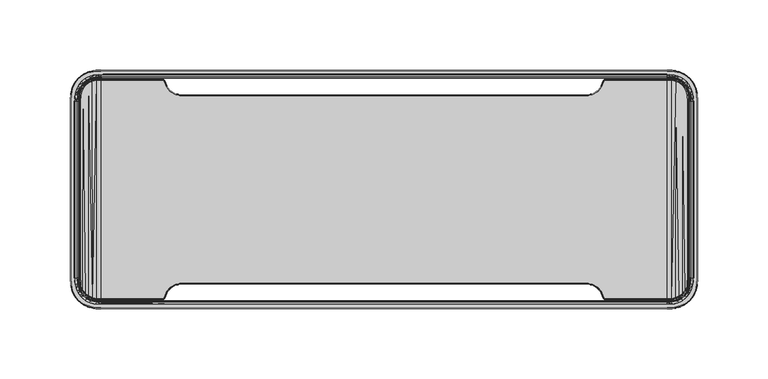
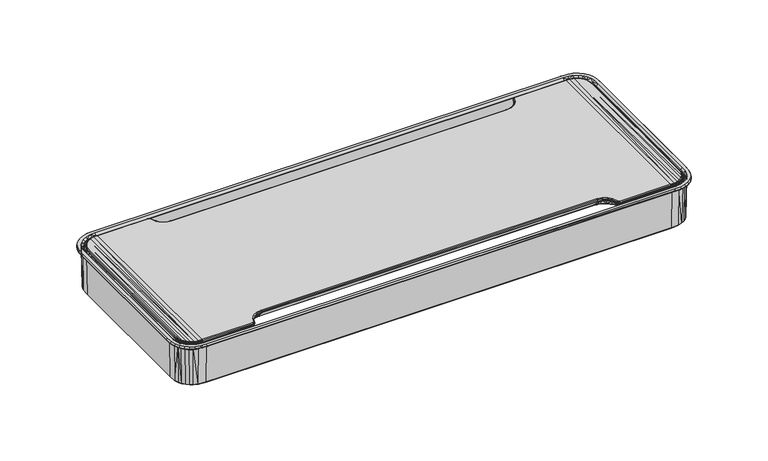
"""IFC4 building model written with IfcOpenShell, lengths in millimetres: furniture geometry."""

from ifc_helpers import new_model, si_unit, origin, place, context, project, spatial, triangles, source, transform, mapped, element, save


def furniture_4c557f40(model_context):
    return source(origin(), model_context, "Body", "Tessellation", [
        triangles([(-147.9062245, -67.9055435, 2.1630685), (-143.9999949, -67.2234722, 2.1630685), (-143.9999949, -66.7236389, 2.6499799), (-148.0756273, -67.4352961, 2.6499799), (-151.6689036, -69.4860294, 2.6499799), (-151.3501731, -69.871044, 2.1630685), (-153.9242347, -72.8873615, 2.1630685), (-154.3545864, -72.6331392, 2.6499799), (-155.8147988, -76.5041693, 2.6499799), (-155.3244763, -76.5987493, 2.1630727), (-155.982285, -77.7381874, 2.166964), (-156.3086277, -77.3597584, 2.6499799), (-157.2878921, -77.7236352, 2.6499799), (-157.2878921, -78.2234775, 2.1630686), (-200.8000072, -78.2234775, 2.1630685), (-200.8000072, -77.7236352, 2.6499799), (-203.8764728, -77.8274624, 2.6088933), (-204.5917634, -78.0537931, 2.1630659), (-207.4276731, -77.4173948, 2.1630687), (-206.9028142, -77.2676765, 2.6088933), (-209.7084387, -75.818905, 2.6499799), (-209.9662355, -76.2470992, 2.1630685), (-212.1885199, -74.5453181, 2.1630685), (-211.8422838, -74.1848205, 2.6499799), (-214.0404599, -71.7244965, 2.6088933), (-213.9778366, -72.3937098, 2.1630685), (-215.2442382, -69.9115621, 2.1630685), (-215.2675471, -68.903207, 2.6088933), (-215.5671473, -65.8538337, 2.6460052), (-216.0042209, -66.9513503, 2.1630649), (-216.2234662, -62.7999958, 2.1630685), (-215.7236421, -62.7999958, 2.6499799), (-215.7236421, 62.7999958, 2.6499799), (-216.2234662, 62.7999958, 2.1630685), (-216.0042209, 66.9513503, 2.1630649), (-215.5098651, 66.8777175, 2.6499799), (-214.7770247, 69.7339566, 2.6499799), (-215.2442382, 69.9115621, 2.1630685), (-213.9778366, 72.3937098, 2.1630685), (-213.5603657, 72.1188356, 2.6499799), (-211.8422838, 74.1848205, 2.6499799), (-212.1885199, 74.5453181, 2.1630685), (-209.9662355, 76.2470992, 2.1630685), (-209.7084387, 75.818905, 2.6499799), (-207.2684169, 76.9436229, 2.6499799), (-207.4276731, 77.4173948, 2.1630687), (-200.8000072, 77.7236352, 2.6499799), (-200.8000072, 78.2234775, 2.1630685), (-204.5917634, 78.0537931, 2.1630659), (-203.8754009, 77.8131828, 2.6148261), (-157.2878921, 78.2234775, 2.1630686), (-157.2878921, 77.7236352, 2.6499799), (-156.3723048, 77.3300001, 2.6458885), (-155.982285, 77.7381874, 2.166964), (-155.3237678, 76.5975139, 2.1630686), (-155.8147988, 76.5041693, 2.6499799), (-154.3545864, 72.6331392, 2.6499799), (-153.9242347, 72.8873615, 2.1630685), (-151.3501731, 69.871044, 2.1630685), (-151.6689036, 69.4860294, 2.6499799), (-147.9062245, 67.9055435, 2.1630685), (-148.0756273, 67.4352961, 2.6499799), (-143.9999949, 66.7236389, 2.6499799), (-143.9999949, 67.2234722, 2.1630685), (143.9999949, 66.7236389, 2.6499799), (143.9999949, 67.2234722, 2.1630685), (143.9999949, -67.2234722, 2.1630685), (143.9999949, -66.7236389, 2.6499799), (143.9999949, 67.248566, 1.0952977), (-143.9999949, 67.248566, 1.0952977), (-147.856055, 67.9142412, 1.0952977), (-147.856055, 67.9142412, 0.0792977), (-151.2657669, 69.8341958, 0.0792977), (-151.3501731, 69.871044, 1.1470684), (-153.8344328, 72.7862049, 1.0952977), (-155.3015852, 76.6204322, 1.1318928), (-155.9956744, 77.7946247, 1.1514034), (-157.2662909, 78.2495479, 1.1329145), (-200.8000072, 78.2485759, 1.0954171), (-203.8943314, 78.1551405, 1.1499801), (-206.9618949, 77.5921752, 1.1499801), (-209.8612274, 76.3404347, 1.1499801), (-212.3875085, 74.3874971, 1.1499801), (-214.3404416, 71.8612205, 1.1499801), (-215.5921639, 68.961888, 1.1499801), (-215.9203597, 65.8809442, 1.1226762), (-216.2485737, 62.7999958, 1.0953722), (-216.2485737, -62.7999958, 1.0953722), (-216.1551383, -65.8943427, 1.1499801), (-215.5921639, -68.961888, 1.1499801), (-213.9898271, -71.6746948, 1.1499801), (-212.3875085, -74.3874971, 1.1499801), (-209.8612274, -76.3404347, 1.1499801), (-206.9618949, -77.5921752, 1.1499801), (-203.8943314, -78.1551405, 1.1499801), (-200.8000072, -78.2485759, 1.0954171), (-157.2659276, -78.2500021, 1.1499801), (-155.9956744, -77.7946247, 1.1514034), (-155.3011856, -76.62085, 1.1499801), (-153.8344328, -72.7862049, 1.0952977), (-151.2657669, -69.8341958, 1.0952977), (-147.856055, -67.9142412, 1.0952977), (-143.9999949, -67.248566, 1.0952977), (143.9999949, -67.248566, 1.0952977), (-143.9999949, -66.9819262, 0.2801038), (143.9999949, -66.9819262, 0.2801038), (-147.9454663, -67.6630211, 0.2801038), (-151.4342159, -69.6274997, 0.2801038), (-154.0624167, -72.6479457, 0.2801038), (-155.525863, -76.3747259, 0.2801038), (-156.2378653, -77.4995119, 0.2177313), (-157.4980718, -77.9819225, 0.2801024), (-200.8010427, -77.981759, 0.2800237), (-203.6468174, -77.7131162, 0.2797914), (-206.4936095, -77.4443826, 0.2795588), (-210.258714, -75.777524, 0.2807057), (-213.2388918, -73.0136711, 0.2798344), (-215.4619938, -68.4258288, 0.2804088), (-215.7378854, -65.4404051, 0.2802204), (-215.981893, -62.7999958, 0.2800538), (-215.981893, 62.7999958, 0.2800538), (-215.4619938, 68.4258288, 0.2804088), (-213.9454621, 71.8574507, 0.2795005), (-212.2693289, 73.9128531, 0.2801179), (-210.258714, 75.777524, 0.2807057), (-206.4936095, 77.4443826, 0.2795588), (-203.6805908, 77.7098461, 0.2796649), (-200.8000072, 77.9816863, 0.2797737), (-157.4980718, 77.9819225, 0.2801024), (-156.2378653, 77.4995119, 0.2177313), (-155.525863, 76.3747259, 0.2801038), (-154.0624167, 72.6479457, 0.2801038), (-151.4342159, 69.6274997, 0.2801038), (-147.9454663, 67.6630211, 0.2801038), (-143.9999949, 66.9819262, 0.2801038), (143.9999949, 66.9819262, 0.2801038), (143.9999949, 63.5272043, -4.7044798), (-143.9999949, 63.5272043, -4.7044798), (-148.5007376, 64.2077542, -4.7044798), (-152.5990794, 66.1885744, -4.7044798), (-155.9285455, 69.2925546, -4.7044798), (-158.1942684, 73.245293, -4.7048869), (-158.9630078, 74.1009321, -4.8151534), (-160.0686635, 74.527196, -4.7044883), (-200.8000072, 74.5272187, -4.7044509), (-202.6495673, 74.4485989, -4.7044069), (-204.1186091, 74.3861572, -4.704372), (-207.6096933, 73.3338505, -4.7044557), (-209.6440168, 71.8641954, -4.7044798), (-210.743877, 70.5767649, -4.7044688), (-211.9852801, 68.0278925, -4.7044566), (-212.5288516, 62.9697211, -4.7044872), (-212.5288516, -62.9697211, -4.7044872), (-204.1186091, -74.3861572, -4.704372), (-200.8000072, -74.5272187, -4.7044509), (-207.6096933, -73.3338505, -4.7044557), (-210.743877, -70.5767649, -4.7044688), (-211.9852801, -68.0278925, -4.7044566), (-212.2570659, -65.4988045, -4.7044719), (-160.0686635, -74.527196, -4.7044883), (-158.9630078, -74.1009321, -4.8151534), (-158.1914343, -73.2421364, -4.7044798), (-155.9285455, -69.2925546, -4.7044798), (-152.5990794, -66.1885744, -4.7044798), (-148.5007376, -64.2077542, -4.7044798), (-143.9999949, -63.5272043, -4.7044798), (143.9999949, -63.5272043, -4.7044798), (-143.9999949, -62.9901731, -5.1788706), (143.9999949, -62.9901731, -5.1788706), (-148.6595306, -63.6947359, -5.1788706), (-152.9024584, -65.7454374, -5.1788706), (-156.3493592, -68.9589176, -5.1788706), (-158.6920941, -73.0478396, -5.1788706), (-159.2277991, -73.7439181, -5.1744633), (-160.0686453, -73.9901739, -5.1788735), (-200.8043674, -73.9902194, -5.1788462), (-205.3158471, -73.6301033, -5.1765327), (-207.4637356, -72.8078878, -5.1765327), (-210.7228935, -69.6159315, -5.1765327), (-211.5868488, -67.4845436, -5.1765327), (-211.9798844, -62.9804217, -5.1851066), (-211.9798844, 62.9804217, -5.1851066), (-211.5927351, 67.4870553, -5.1731728), (-210.7279441, 69.619833, -5.1731728), (-209.3204174, 71.4448533, -5.1731728), (-207.4660974, 72.8138104, -5.1731728), (-205.3166465, 73.636421, -5.1731728), (-200.8043674, 73.9902194, -5.1788462), (-160.0686453, 73.9901739, -5.1788735), (-159.2294342, 73.7384951, -5.1773224), (-158.6920941, 73.0478396, -5.1788706), (-156.3493592, 68.9589176, -5.1788706), (-152.9024584, 65.7454374, -5.1788706), (-148.6595306, 63.6947359, -5.1788706), (-143.9999949, 62.9901731, -5.1788706), (143.9999949, 62.9901731, -5.1788706), (148.0756273, -67.4352961, 2.6499799), (147.9062245, -67.9055435, 2.1630685), (151.3501731, -69.871044, 2.1630685), (151.6689036, -69.4860294, 2.6499799), (154.3545864, -72.6331392, 2.6499799), (153.9242347, -72.8873615, 2.1630685), (155.3244763, -76.5987493, 2.1630727), (155.8147988, -76.5041693, 2.6499799), (156.3086277, -77.3597584, 2.6499799), (155.982285, -77.7381874, 2.166964), (157.2878921, -78.2234775, 2.1630686), (157.2878921, -77.7236352, 2.6499799), (200.8000072, -77.7236352, 2.6499799), (200.8000072, -78.2234775, 2.1630685), (204.5917634, -78.0537931, 2.1630659), (203.8764728, -77.8274624, 2.6088933), (206.9028142, -77.2676765, 2.6088933), (207.4276731, -77.4173948, 2.1630687), (209.9662355, -76.2470992, 2.1630685), (209.7084387, -75.818905, 2.6499799), (211.8422838, -74.1848205, 2.6499799), (212.1885199, -74.5453181, 2.1630685), (213.9778366, -72.3937098, 2.1630685), (214.0404599, -71.7244965, 2.6088933), (215.2675471, -68.903207, 2.6088933), (215.2442382, -69.9115621, 2.1630685), (216.0042209, -66.9513503, 2.1630649), (215.5671473, -65.8538337, 2.6460052), (215.7236421, -62.7999958, 2.6499799), (216.2234662, -62.7999958, 2.1630685), (216.2234662, 62.7999958, 2.1630685), (215.7236421, 62.7999958, 2.6499799), (215.5098651, 66.8777175, 2.6499799), (216.0042209, 66.9513503, 2.1630649), (215.2442382, 69.9115621, 2.1630685), (214.7770247, 69.7339566, 2.6499799), (213.5603657, 72.1188356, 2.6499799), (213.9778366, 72.3937098, 2.1630685), (212.1885199, 74.5453181, 2.1630685), (211.8422838, 74.1848205, 2.6499799), (209.7084387, 75.818905, 2.6499799), (209.9662355, 76.2470992, 2.1630685), (207.4276731, 77.4173948, 2.1630687), (207.2684169, 76.9436229, 2.6499799), (203.8754009, 77.8131828, 2.6148261), (204.5917634, 78.0537931, 2.1630659), (200.8000072, 78.2234775, 2.1630685), (200.8000072, 77.7236352, 2.6499799), (157.2878921, 77.7236352, 2.6499799), (157.2878921, 78.2234775, 2.1630686), (155.982285, 77.7381874, 2.166964), (156.3723048, 77.3300001, 2.6458885), (155.8147988, 76.5041693, 2.6499799), (155.3237678, 76.5975139, 2.1630686), (153.9242347, 72.8873615, 2.1630685), (154.3545864, 72.6331392, 2.6499799), (151.6689036, 69.4860294, 2.6499799), (151.3501731, 69.871044, 2.1630685), (147.9062245, 67.9055435, 2.1630685), (148.0756273, 67.4352961, 2.6499799), (147.856055, 67.9142412, 1.0952977), (151.3501731, 69.871044, 1.1470684), (151.2657669, 69.8341958, 0.0792977), (147.856055, 67.9142412, 0.0792977), (153.8344328, 72.7862049, 1.0952977), (155.3015852, 76.6204322, 1.1318928), (155.9956744, 77.7946247, 1.1514034), (157.2662909, 78.2495479, 1.1329145), (200.8000072, 78.2485759, 1.0954171), (203.8943314, 78.1551405, 1.1499801), (206.9618949, 77.5921752, 1.1499801), (209.8612274, 76.3404347, 1.1499801), (212.3875085, 74.3874971, 1.1499801), (214.3404416, 71.8612205, 1.1499801), (215.5921639, 68.961888, 1.1499801), (215.9203597, 65.8809442, 1.1226762), (216.2485737, 62.7999958, 1.0953722), (216.2485737, -62.7999958, 1.0953722), (216.1551383, -65.8943427, 1.1499801), (215.5921639, -68.961888, 1.1499801), (213.9898271, -71.6746948, 1.1499801), (212.3875085, -74.3874971, 1.1499801), (209.8612274, -76.3404347, 1.1499801), (206.9618949, -77.5921752, 1.1499801), (203.8943314, -78.1551405, 1.1499801), (200.8000072, -78.2485759, 1.0954171), (157.2659276, -78.2500021, 1.1499801), (155.9956744, -77.7946247, 1.1514034), (155.3011856, -76.62085, 1.1499801), (153.8344328, -72.7862049, 1.0952977), (151.2657669, -69.8341958, 1.0952977), (147.856055, -67.9142412, 1.0952977), (147.9454663, -67.6630211, 0.2801038), (151.4342159, -69.6274997, 0.2801038), (154.0624167, -72.6479457, 0.2801038), (155.525863, -76.3747259, 0.2801038), (156.2378653, -77.4995119, 0.2177313), (157.4980718, -77.9819225, 0.2801024), (200.8010427, -77.981759, 0.2800237), (203.6468174, -77.7131162, 0.2797914), (206.4936095, -77.4443826, 0.2795588), (210.258714, -75.777524, 0.2807057), (213.2388918, -73.0136711, 0.2798344), (215.4619938, -68.4258288, 0.2804088), (215.7378854, -65.4404051, 0.2802204), (215.981893, -62.7999958, 0.2800538), (215.981893, 62.7999958, 0.2800538), (215.4619938, 68.4258288, 0.2804088), (213.9454621, 71.8574507, 0.2795005), (212.2693289, 73.9128531, 0.2801179), (210.258714, 75.777524, 0.2807057), (206.4936095, 77.4443826, 0.2795588), (203.6805908, 77.7098461, 0.2796649), (200.8000072, 77.9816863, 0.2797737), (157.4980718, 77.9819225, 0.2801024), (156.2378653, 77.4995119, 0.2177313), (155.525863, 76.3747259, 0.2801038), (154.0624167, 72.6479457, 0.2801038), (151.4342159, 69.6274997, 0.2801038), (147.9454663, 67.6630211, 0.2801038), (148.5007376, 64.2077542, -4.7044798), (152.5990794, 66.1885744, -4.7044798), (155.9285455, 69.2925546, -4.7044798), (158.1942684, 73.245293, -4.7048869), (158.9630078, 74.1009321, -4.8151534), (160.0686635, 74.527196, -4.7044883), (200.8000072, 74.5272187, -4.7044509), (202.6495673, 74.4485989, -4.7044069), (204.1186091, 74.3861572, -4.704372), (207.6096933, 73.3338505, -4.7044557), (209.6440168, 71.8641954, -4.7044798), (210.743877, 70.5767649, -4.7044688), (211.9852801, 68.0278925, -4.7044566), (212.5288516, 62.9697211, -4.7044872), (212.5288516, -62.9697211, -4.7044872), (200.8000072, -74.5272187, -4.7044509), (204.1186091, -74.3861572, -4.704372), (207.6096933, -73.3338505, -4.7044557), (210.743877, -70.5767649, -4.7044688), (211.9852801, -68.0278925, -4.7044566), (212.2570659, -65.4988045, -4.7044719), (160.0686635, -74.527196, -4.7044883), (158.9630078, -74.1009321, -4.8151534), (158.1914343, -73.2421364, -4.7044798), (155.9285455, -69.2925546, -4.7044798), (152.5990794, -66.1885744, -4.7044798), (148.5007376, -64.2077542, -4.7044798), (148.6595306, -63.6947359, -5.1788706), (152.9024584, -65.7454374, -5.1788706), (156.3493592, -68.9589176, -5.1788706), (158.6920941, -73.0478396, -5.1788706), (159.2277991, -73.7439181, -5.1744633), (160.0686453, -73.9901739, -5.1788735), (200.8043674, -73.9902194, -5.1788462), (205.3158471, -73.6301033, -5.1765327), (207.4637356, -72.8078878, -5.1765327), (210.7228935, -69.6159315, -5.1765327), (211.5868488, -67.4845436, -5.1765327), (211.9798844, -62.9804217, -5.1851066), (211.9798844, 62.9804217, -5.1851066), (211.5927351, 67.4870553, -5.1731728), (210.7279441, 69.619833, -5.1731728), (209.3204174, 71.4448533, -5.1731728), (207.4660974, 72.8138104, -5.1731728), (205.3166465, 73.636421, -5.1731728), (200.8043674, 73.9902194, -5.1788462), (160.0686453, 73.9901739, -5.1788735), (159.2294342, 73.7384951, -5.1773224), (158.6920941, 73.0478396, -5.1788706), (156.3493592, 68.9589176, -5.1788706), (152.9024584, 65.7454374, -5.1788706), (148.6595306, 63.6947359, -5.1788706)], [[1, 2, 3], [1, 3, 4], [1, 4, 5], [1, 5, 6], [7, 6, 5], [7, 5, 8], [7, 8, 9], [7, 9, 10], [11, 10, 9], [11, 9, 12], [11, 12, 13], [11, 13, 14], [15, 14, 13], [15, 13, 16], [15, 16, 17], [15, 17, 18], [19, 18, 17], [19, 17, 20], [19, 20, 21], [19, 21, 22], [23, 22, 21], [23, 21, 24], [23, 24, 25], [23, 25, 26], [27, 26, 25], [27, 25, 28], [27, 28, 29], [27, 29, 30], [31, 30, 29], [31, 29, 32], [31, 32, 33], [31, 33, 34], [35, 34, 33], [35, 33, 36], [35, 36, 37], [35, 37, 38], [39, 38, 37], [39, 37, 40], [39, 40, 41], [39, 41, 42], [43, 42, 44], [42, 41, 44], [43, 44, 45], [43, 45, 46], [47, 48, 49], [47, 49, 50], [46, 45, 50], [46, 50, 49], [51, 48, 52], [48, 47, 52], [51, 52, 53], [51, 53, 54], [53, 54, 55], [53, 55, 56], [55, 56, 57], [55, 57, 58], [57, 58, 59], [57, 59, 60], [59, 60, 61], [60, 62, 61], [62, 61, 63], [61, 64, 63], [64, 63, 65], [64, 65, 66], [67, 68, 3], [67, 3, 2], [66, 69, 70], [66, 70, 64], [70, 64, 61], [70, 61, 71], [71, 72, 73], [71, 73, 74], [74, 59, 58], [74, 58, 75], [58, 75, 76], [58, 76, 55], [76, 55, 54], [76, 54, 77], [54, 77, 78], [54, 78, 51], [48, 51, 78], [48, 78, 79], [48, 79, 80], [48, 80, 49], [49, 80, 81], [49, 81, 46], [43, 46, 81], [43, 81, 82], [43, 82, 83], [43, 83, 42], [42, 83, 84], [42, 84, 39], [38, 39, 84], [38, 84, 85], [38, 85, 86], [38, 86, 35], [34, 35, 86], [34, 86, 87], [34, 87, 88], [34, 88, 31], [30, 31, 88], [30, 88, 89], [30, 89, 90], [30, 90, 27], [26, 27, 90], [26, 90, 91], [26, 91, 92], [26, 92, 23], [22, 23, 92], [22, 92, 93], [22, 93, 94], [22, 94, 19], [18, 19, 94], [18, 94, 95], [18, 95, 96], [18, 96, 15], [14, 15, 96], [14, 96, 97], [14, 97, 98], [14, 98, 11], [10, 11, 98], [10, 98, 99], [10, 99, 100], [10, 100, 7], [6, 7, 100], [6, 100, 101], [6, 101, 102], [6, 102, 1], [2, 1, 102], [2, 102, 103], [2, 103, 104], [2, 104, 67], [105, 106, 104], [105, 104, 103], [105, 103, 102], [105, 102, 107], [108, 107, 102], [108, 102, 101], [108, 101, 100], [108, 100, 109], [110, 109, 100], [110, 100, 99], [110, 99, 98], [110, 98, 111], [112, 111, 98], [112, 98, 97], [112, 97, 96], [112, 96, 113], [114, 113, 96], [114, 96, 95], [114, 95, 94], [114, 94, 115], [116, 115, 94], [116, 94, 93], [116, 93, 92], [116, 92, 117], [118, 117, 92], [118, 92, 90], [118, 90, 89], [118, 89, 119], [119, 89, 88], [119, 88, 120], [121, 120, 88], [121, 88, 87], [121, 87, 85], [121, 85, 122], [123, 122, 85], [123, 85, 84], [123, 84, 83], [123, 83, 124], [125, 124, 83], [125, 83, 82], [125, 82, 81], [125, 81, 126], [127, 126, 81], [127, 81, 80], [127, 80, 79], [127, 79, 128], [129, 128, 79], [129, 79, 78], [129, 78, 77], [129, 77, 130], [77, 130, 131], [77, 131, 76], [131, 76, 75], [131, 75, 132], [75, 132, 74], [132, 133, 74], [133, 74, 71], [133, 71, 134], [71, 134, 135], [71, 135, 70], [135, 70, 69], [135, 69, 136], [136, 137, 138], [136, 138, 135], [138, 135, 134], [138, 134, 139], [134, 139, 140], [134, 140, 133], [140, 133, 132], [140, 132, 141], [132, 141, 142], [132, 142, 131], [142, 131, 130], [142, 130, 143], [130, 143, 144], [130, 144, 129], [128, 129, 144], [128, 144, 145], [128, 145, 146], [128, 146, 127], [126, 127, 146], [126, 146, 147], [126, 147, 148], [126, 148, 125], [124, 125, 148], [124, 148, 149], [124, 149, 150], [124, 150, 123], [122, 123, 150], [122, 150, 151], [122, 151, 152], [122, 152, 121], [121, 152, 153], [121, 153, 120], [154, 155, 113], [154, 113, 114], [154, 114, 115], [156, 154, 115], [156, 115, 116], [156, 116, 117], [156, 117, 157], [158, 157, 117], [158, 117, 118], [158, 118, 119], [158, 119, 159], [153, 159, 119], [153, 119, 120], [113, 155, 160], [113, 160, 112], [112, 160, 161], [112, 161, 111], [110, 111, 161], [110, 161, 162], [110, 162, 163], [110, 163, 109], [108, 109, 163], [108, 163, 164], [108, 164, 165], [108, 165, 107], [105, 107, 165], [105, 165, 166], [105, 166, 167], [105, 167, 106], [168, 169, 167], [168, 167, 166], [168, 166, 165], [168, 165, 170], [171, 170, 165], [171, 165, 164], [171, 164, 172], [164, 163, 172], [173, 172, 163], [173, 163, 162], [173, 162, 161], [173, 161, 174], [175, 174, 161], [175, 161, 160], [175, 160, 155], [175, 155, 176], [177, 176, 155], [177, 155, 154], [177, 154, 156], [177, 156, 178], [179, 178, 156], [179, 156, 157], [179, 157, 158], [179, 158, 180], [181, 180, 158], [181, 158, 153], [181, 153, 152], [181, 152, 182], [183, 182, 152], [183, 152, 151], [183, 151, 150], [183, 150, 184], [185, 184, 150], [185, 150, 149], [185, 149, 148], [185, 148, 186], [187, 186, 148], [187, 148, 147], [187, 147, 145], [187, 145, 188], [189, 188, 145], [189, 145, 144], [189, 144, 143], [189, 143, 190], [143, 190, 191], [143, 191, 142], [191, 142, 141], [191, 141, 192], [141, 192, 193], [141, 193, 140], [193, 140, 139], [193, 139, 194], [139, 194, 195], [139, 195, 138], [195, 138, 137], [195, 137, 196], [196, 169, 168], [196, 168, 195], [194, 195, 168], [194, 168, 170], [193, 194, 170], [193, 170, 171], [193, 171, 172], [193, 172, 192], [191, 192, 172], [191, 172, 173], [190, 191, 173], [190, 173, 174], [190, 174, 175], [190, 175, 189], [188, 189, 175], [188, 175, 176], [188, 176, 177], [188, 177, 187], [186, 187, 177], [186, 177, 178], [186, 178, 179], [186, 179, 185], [184, 185, 179], [184, 179, 180], [184, 180, 181], [184, 181, 183], [68, 65, 63], [68, 63, 3], [4, 3, 63], [4, 63, 62], [4, 62, 60], [4, 60, 5], [8, 5, 60], [8, 60, 57], [8, 57, 56], [8, 56, 9], [12, 9, 56], [12, 56, 53], [12, 53, 52], [12, 52, 13], [16, 13, 52], [16, 52, 47], [16, 47, 50], [16, 50, 17], [20, 17, 50], [20, 50, 45], [20, 45, 44], [20, 44, 21], [24, 21, 44], [24, 44, 41], [24, 41, 40], [24, 40, 25], [28, 25, 40], [28, 40, 37], [28, 37, 36], [28, 36, 29], [32, 29, 36], [32, 36, 33], [197, 68, 198], [68, 67, 198], [199, 200, 198], [200, 197, 198], [201, 200, 199], [201, 199, 202], [203, 204, 201], [203, 201, 202], [205, 204, 203], [205, 203, 206], [207, 208, 205], [207, 205, 206], [209, 208, 207], [209, 207, 210], [211, 212, 209], [211, 209, 210], [213, 212, 211], [213, 211, 214], [215, 216, 213], [215, 213, 214], [217, 216, 215], [217, 215, 218], [219, 220, 217], [219, 217, 218], [221, 220, 219], [221, 219, 222], [223, 224, 221], [223, 221, 222], [225, 224, 223], [225, 223, 226], [227, 228, 225], [227, 225, 226], [229, 228, 227], [229, 227, 230], [231, 232, 229], [231, 229, 230], [233, 232, 231], [233, 231, 234], [235, 236, 234], [236, 233, 234], [237, 236, 235], [237, 235, 238], [239, 240, 237], [239, 237, 238], [241, 242, 243], [241, 243, 244], [242, 241, 240], [242, 240, 239], [245, 244, 243], [245, 243, 246], [247, 248, 245], [247, 245, 246], [249, 250, 247], [249, 247, 248], [251, 252, 249], [251, 249, 250], [253, 254, 252], [254, 251, 252], [255, 256, 253], [255, 253, 254], [65, 66, 255], [65, 255, 256], [257, 255, 66], [257, 66, 69], [258, 259, 260], [258, 260, 257], [261, 251, 254], [261, 254, 258], [250, 262, 261], [250, 261, 251], [263, 247, 250], [263, 250, 262], [246, 264, 263], [246, 263, 247], [265, 264, 246], [265, 246, 243], [242, 266, 265], [242, 265, 243], [239, 267, 266], [239, 266, 242], [268, 267, 239], [268, 239, 238], [235, 269, 268], [235, 268, 238], [234, 270, 269], [234, 269, 235], [271, 270, 234], [271, 234, 231], [230, 272, 271], [230, 271, 231], [273, 272, 230], [273, 230, 227], [226, 274, 273], [226, 273, 227], [275, 274, 226], [275, 226, 223], [222, 276, 275], [222, 275, 223], [277, 276, 222], [277, 222, 219], [218, 278, 277], [218, 277, 219], [279, 278, 218], [279, 218, 215], [214, 280, 279], [214, 279, 215], [281, 280, 214], [281, 214, 211], [210, 282, 281], [210, 281, 211], [283, 282, 210], [283, 210, 207], [206, 284, 283], [206, 283, 207], [285, 284, 206], [285, 206, 203], [202, 286, 285], [202, 285, 203], [287, 286, 202], [287, 202, 199], [198, 288, 287], [198, 287, 199], [104, 288, 198], [104, 198, 67], [289, 288, 106], [288, 104, 106], [287, 288, 290], [288, 289, 290], [291, 286, 287], [291, 287, 290], [285, 286, 291], [285, 291, 292], [293, 284, 285], [293, 285, 292], [283, 284, 293], [283, 293, 294], [295, 282, 283], [295, 283, 294], [281, 282, 295], [281, 295, 296], [297, 280, 281], [297, 281, 296], [279, 280, 297], [279, 297, 298], [299, 278, 279], [299, 279, 298], [276, 278, 299], [276, 299, 300], [301, 275, 276], [301, 276, 300], [302, 274, 275], [302, 275, 301], [273, 274, 302], [273, 302, 303], [304, 271, 273], [304, 273, 303], [270, 271, 304], [270, 304, 305], [306, 269, 270], [306, 270, 305], [268, 269, 306], [268, 306, 307], [308, 267, 268], [308, 268, 307], [266, 267, 308], [266, 308, 309], [310, 265, 266], [310, 266, 309], [264, 265, 310], [264, 310, 311], [312, 263, 264], [312, 264, 311], [262, 313, 312], [262, 312, 263], [314, 261, 262], [314, 262, 313], [258, 315, 314], [258, 314, 261], [316, 257, 258], [316, 258, 315], [69, 136, 316], [69, 316, 257], [317, 316, 136], [317, 136, 137], [315, 318, 317], [315, 317, 316], [319, 314, 315], [319, 315, 318], [313, 320, 319], [313, 319, 314], [321, 312, 313], [321, 313, 320], [311, 322, 321], [311, 321, 312], [323, 322, 311], [323, 311, 310], [309, 324, 323], [309, 323, 310], [325, 324, 309], [325, 309, 308], [307, 326, 325], [307, 325, 308], [327, 326, 307], [327, 307, 306], [305, 328, 327], [305, 327, 306], [329, 328, 305], [329, 305, 304], [303, 330, 329], [303, 329, 304], [302, 331, 330], [302, 330, 303], [296, 295, 332], [296, 332, 333], [333, 297, 296], [298, 297, 333], [298, 333, 334], [335, 299, 298], [335, 298, 334], [300, 299, 335], [300, 335, 336], [337, 301, 300], [337, 300, 336], [302, 301, 337], [302, 337, 331], [294, 338, 295], [338, 332, 295], [293, 339, 338], [293, 338, 294], [340, 339, 293], [340, 293, 292], [291, 341, 340], [291, 340, 292], [342, 341, 291], [342, 291, 290], [289, 343, 342], [289, 342, 290], [167, 343, 289], [167, 289, 106], [344, 343, 167], [344, 167, 169], [342, 343, 345], [343, 344, 345], [346, 341, 342], [346, 342, 345], [340, 341, 346], [340, 346, 347], [348, 339, 340], [348, 340, 347], [338, 339, 348], [338, 348, 349], [350, 332, 338], [350, 338, 349], [333, 332, 350], [333, 350, 351], [352, 334, 333], [352, 333, 351], [335, 334, 352], [335, 352, 353], [354, 336, 335], [354, 335, 353], [331, 336, 354], [331, 354, 355], [356, 330, 331], [356, 331, 355], [329, 330, 356], [329, 356, 357], [358, 328, 329], [358, 329, 357], [327, 328, 358], [327, 358, 359], [360, 326, 327], [360, 327, 359], [325, 326, 360], [325, 360, 361], [362, 323, 325], [362, 325, 361], [322, 323, 363], [323, 362, 363], [364, 321, 322], [364, 322, 363], [320, 365, 364], [320, 364, 321], [366, 319, 320], [366, 320, 365], [318, 367, 366], [318, 366, 319], [368, 317, 318], [368, 318, 367], [137, 196, 317], [196, 368, 317], [344, 169, 196], [344, 196, 368], [345, 344, 368], [345, 368, 367], [366, 346, 345], [366, 345, 367], [347, 346, 366], [347, 366, 365], [348, 347, 365], [348, 365, 364], [363, 349, 348], [363, 348, 364], [350, 349, 363], [350, 363, 362], [361, 351, 350], [361, 350, 362], [352, 351, 361], [352, 361, 360], [359, 353, 352], [359, 352, 360], [354, 353, 359], [354, 359, 358], [357, 355, 354], [357, 354, 358], [256, 65, 68], [256, 68, 197], [200, 253, 256], [200, 256, 197], [252, 253, 200], [252, 200, 201], [204, 249, 252], [204, 252, 201], [248, 249, 204], [248, 204, 205], [208, 245, 248], [208, 248, 205], [244, 245, 208], [244, 208, 209], [212, 241, 244], [212, 244, 209], [240, 241, 212], [240, 212, 213], [216, 237, 240], [216, 240, 213], [236, 237, 216], [236, 216, 217], [220, 233, 236], [220, 236, 217], [232, 233, 220], [232, 220, 221], [224, 229, 232], [224, 232, 221], [228, 229, 224], [228, 224, 225]], closed=False),
        triangles([(200.7482298, 81.749852, 2.63398), (200.744996, 84.0999993, 2.63398), (-200.7499921, 84.0999993, 2.63398), (-200.7532259, 81.749852, 2.63398), (-205.2500808, 81.5357117, 2.63398), (-205.9987088, 83.8712251, 2.63398), (-210.2349691, 82.9010808, 2.63398), (-209.0041758, 80.6480388, 2.63398), (-212.196877, 79.0900035, 2.63398), (-213.7711813, 81.1982596, 2.63398), (-216.7932534, 78.7874057, 2.63398), (-214.9418766, 76.886477, 2.63398), (-217.1315866, 74.1316079, 2.63398), (-219.2027175, 75.7642299, 2.63398), (-220.9065924, 72.2183753, 2.63398), (-218.677913, 70.920117, 2.63398), (-219.5463375, 67.1662082, 2.63398), (-221.872867, 67.9817743, 2.63398), (-222.099997, 62.7499988, 2.63398), (-219.7499951, 62.7500034, 2.63398), (-219.7499951, -62.7500034, 2.63398), (-222.099997, -62.7499988, 2.63398), (-221.872867, -67.9817743, 2.63398), (-219.5463375, -67.1662082, 2.63398), (-218.677913, -70.920117, 2.63398), (-220.9065924, -72.2183753, 2.63398), (-219.2027175, -75.7642299, 2.63398), (-217.1315866, -74.1316079, 2.63398), (-214.9418766, -76.886477, 2.63398), (-216.7932534, -78.7874057, 2.63398), (-213.7711813, -81.1982596, 2.63398), (-212.196877, -79.0900035, 2.63398), (-209.0041758, -80.6480388, 2.63398), (-210.2349691, -82.9010808, 2.63398), (-205.9987088, -83.8712251, 2.63398), (-205.2500808, -81.5357117, 2.63398), (-200.7499921, -81.749634, 2.63398), (-200.7499921, -84.0999993, 2.63398), (200.7499921, -84.0999993, 2.63398), (200.7499921, -81.7499974, 2.63398), (-222.7499937, -62.7499988, 0.98398), (-222.5196117, -68.0603851, 0.9797645), (-221.5201632, -72.4332786, 0.9836153), (-219.7531744, -76.1099074, 0.9840054), (-217.2529819, -79.246898, 0.983994), (-214.1171086, -81.748553, 0.9840037), (-210.4505264, -83.5144518, 0.9836407), (-206.0784459, -84.5178153, 0.9800582), (-200.7505189, -80.9642713, 1.8482446), (-200.7499921, -84.7499959, 0.98398), (200.7499921, -84.7499959, 0.98398), (200.7499921, 84.7497779, 0.9839763), (-200.7549881, 84.7497779, 0.9839763), (-206.0784459, 84.5178153, 0.9800582), (-210.4505264, 83.5144518, 0.9836407), (-214.1171086, 81.748553, 0.9840037), (-217.2529819, 79.246898, 0.983994), (-219.7531744, 76.1099074, 0.9840054), (-221.5201632, 72.4332786, 0.9836153), (-222.5196117, 68.0603851, 0.9797645), (-222.7499937, 62.7499988, 0.98398), (-204.4110877, -80.0521268, 1.0641972), (-208.7843491, -79.0539955, 1.0625736), (-200.7510458, -80.1785453, 1.0625092), (200.7510458, -80.1785453, 1.0625092), (-200.7520995, 80.1785544, 1.0625154), (200.7471035, 80.1785544, 1.0625154), (-203.8789254, 80.0977454, 1.0629991), (-208.5836891, 79.1291181, 1.0624876), (-211.3598096, 77.7601246, 1.0624686), (-213.5925948, 76.009205, 1.0625149), (-216.2495911, 72.5283991, 1.0624949), (-218.1785431, 62.751048, 1.062517), (-217.9192384, 67.4741246, 1.0638977), (-218.1785613, -62.751048, 1.0625188), (-217.9731777, -67.0976577, 1.0645128), (-216.4447463, -72.1569601, 1.0625522), (-211.4269567, -77.716568, 1.0624747), (-213.7649862, -75.8408377, 1.0625151), (-217.5381934, -67.038527, 0.6651618), (-217.7394347, -62.7499761, 0.6629776), (-216.0531823, -71.9582213, 0.663074), (-213.4555937, -75.5292243, 0.6630321), (-211.189562, -77.3471774, 0.6629965), (-208.6273274, -78.6439279, 0.6630943), (-204.3697748, -79.6150804, 0.6648361), (-200.7499921, -79.7394279, 0.6629783), (200.7499921, -79.7394279, 0.6629783), (200.7499557, 79.7394279, 0.6883776), (-200.7499557, 79.7394279, 0.6883776), (-203.8496939, 79.659609, 0.6889576), (-208.4326808, 78.7167886, 0.6884011), (-211.1244678, 77.3894078, 0.6883891), (-213.2885073, 75.6924229, 0.6884305), (-215.8639133, 72.3184419, 0.6884116), (-217.4855985, 67.4055059, 0.6899199), (-217.7394347, 62.7499761, 0.6883776), (-217.1390717, 62.750017, -34.366021), (-216.539944, 69.003755, -34.366021), (-215.3383276, 72.028257, -34.366021), (-213.2415261, 74.8911364, -34.366021), (-210.4093952, 77.1226544, -34.366021), (-207.279063, 78.4631794, -34.366021), (-200.7499921, 79.1390739, -34.366021), (200.7500466, 79.1390739, -34.366021), (200.7499921, -79.1390739, -34.366021), (-200.7537346, -79.1386924, -34.366021), (-202.3823052, -78.9700707, -34.366021), (-207.2790267, -78.4630886, -34.366021), (-210.4092499, -77.1227271, -34.366021), (-213.241399, -74.8912863, -34.366021), (-215.3382368, -72.0284568, -34.366021), (-216.539835, -69.003805, -34.366021), (-217.1390717, -62.7499988, -34.3654532), (-206.0420564, 81.3426639, 0.6339799), (-199.4000018, 81.837274, 0.6339799), (-199.4000018, 81.2263465, -34.366021), (-205.8637061, 80.7556358, -34.366021), (-209.6947768, 79.5037682, -34.366021), (-209.9853477, 80.0422982, 0.6339799), (-212.3320431, 78.7065603, 0.6339799), (-211.9728899, 78.2120047, -34.366021), (-214.3080853, 76.2763307, -34.366021), (-214.7400175, 76.708381, 0.6339799), (-216.7282501, 74.3001387, 0.6339799), (-216.233749, 73.9408129, -34.366021), (-217.5164105, 71.6675368, -34.366021), (-218.0549133, 71.9582894, 0.6339799), (-219.3459682, 68.0259849, 0.6339799), (-218.7589582, 67.847403, -34.366021), (-219.2263534, 61.3999995, -34.366021), (-219.8372718, 61.3999995, 0.6339799), (-219.8372718, -61.3999995, 0.6339799), (-219.2263534, -61.3999995, -34.366021), (-218.7589582, -67.847403, -34.366021), (-219.3459682, -68.0259849, 0.6339799), (-222.6149184, -67.1561752, 0.6339799), (-222.7499937, -62.7499988, 0.6339799), (-222.7499937, 62.7499988, 0.6339799), (-222.6149184, 67.1561752, 0.6339799), (-221.8132776, 71.524218, 0.6339799), (-220.0308828, 75.6527133, 0.6339799), (-217.2500024, 79.2500046, 0.6339799), (-213.6527111, 82.030885, 0.6339799), (-209.5242203, 83.8132798, 0.6339799), (-205.156173, 84.6149206, 0.6339799), (-200.7499921, 84.7499959, 0.6339799), (-217.5164105, -71.6675368, -34.366021), (-216.233749, -73.9408129, -34.366021), (-214.3080853, -76.2763307, -34.366021), (-211.9728899, -78.2120047, -34.366021), (-209.6947768, -79.5037682, -34.366021), (-205.8637061, -80.7556358, -34.366021), (-199.4000018, -81.2263465, -34.366021), (199.4000018, -81.2263465, -34.366021), (199.4000018, -81.837274, 0.6339799), (-199.4000018, -81.837274, 0.6339799), (-206.0420564, -81.3426639, 0.6339799), (-209.9853477, -80.0422982, 0.6339799), (-212.3320431, -78.7065603, 0.6339799), (-214.7400175, -76.708381, 0.6339799), (-216.7282501, -74.3001387, 0.6339799), (-218.0549133, -71.9582894, 0.6339799), (-221.8132776, -71.524218, 0.6339799), (-220.0308828, -75.6527133, 0.6339799), (-217.2500024, -79.2500046, 0.6339799), (-213.6527111, -82.030885, 0.6339799), (-209.5242203, -83.8132798, 0.6339799), (-205.156173, -84.6149206, 0.6339799), (-200.7499921, -84.7499959, 0.6339799), (200.7499921, -84.7499959, 0.6339799), (199.3950058, 81.2263465, -34.366021), (199.3950058, 81.837274, 0.6339799), (200.744996, 84.7499959, 0.6339799), (205.9937127, 83.8712251, 2.63398), (205.2450847, 81.5357117, 2.63398), (208.9991797, 80.6480388, 2.63398), (210.229973, 82.9010808, 2.63398), (213.7661852, 81.1982596, 2.63398), (212.1918809, 79.0900035, 2.63398), (214.9368805, 76.886477, 2.63398), (216.7882573, 78.7874057, 2.63398), (219.1977214, 75.7642299, 2.63398), (217.1265906, 74.1316079, 2.63398), (218.672917, 70.920117, 2.63398), (220.9015964, 72.2183753, 2.63398), (221.867871, 67.9817743, 2.63398), (219.5413414, 67.1662082, 2.63398), (219.7450172, 62.7500034, 2.63398), (222.0950191, 62.7499988, 2.63398), (222.0950191, -62.7499988, 2.63398), (219.7450172, -62.7500034, 2.63398), (219.5413414, -67.1662082, 2.63398), (221.867871, -67.9817743, 2.63398), (220.9015964, -72.2183753, 2.63398), (218.672917, -70.920117, 2.63398), (217.1265906, -74.1316079, 2.63398), (219.1977214, -75.7642299, 2.63398), (216.7882573, -78.7874057, 2.63398), (214.9368805, -76.886477, 2.63398), (212.1918809, -79.0900035, 2.63398), (213.7661852, -81.1982596, 2.63398), (210.229973, -82.9010808, 2.63398), (208.9991797, -80.6480388, 2.63398), (205.2450847, -81.5357117, 2.63398), (205.9937127, -83.8712251, 2.63398), (222.5146156, -68.0603851, 0.9797645), (222.7449976, -62.7499988, 0.98398), (221.5151672, -72.4332786, 0.9836153), (219.7481784, -76.1099074, 0.9840054), (217.2479858, -79.246898, 0.983994), (214.1121125, -81.748553, 0.9840037), (210.4455304, -83.5144518, 0.9836407), (206.073468, -84.5178153, 0.9800582), (206.073468, 84.5178153, 0.9800582), (210.4455304, 83.5144518, 0.9836407), (214.1121125, 81.748553, 0.9840037), (217.2479858, 79.246898, 0.983994), (219.7481784, 76.1099074, 0.9840054), (221.5151672, 72.4332786, 0.9836153), (222.5146156, 68.0603851, 0.9797645), (222.7449976, 62.7499988, 0.98398), (208.7793712, -79.0539955, 1.0625736), (204.4060916, -80.0521268, 1.0641972), (203.8739293, 80.0977454, 1.0629991), (208.578693, 79.1291181, 1.0624876), (211.3548135, 77.7601246, 1.0624686), (213.5875988, 76.009205, 1.0625149), (216.244595, 72.5283991, 1.0624949), (217.9142424, 67.4741246, 1.0638977), (218.173547, 62.751048, 1.062517), (218.1735652, -62.751048, 1.0625188), (217.9681817, -67.0976577, 1.0645128), (216.4397502, -72.1569601, 1.0625522), (213.7599901, -75.8408377, 1.0625151), (211.4219606, -77.716568, 1.0624747), (217.7344387, -62.7499761, 0.6629776), (217.5331973, -67.038527, 0.6651618), (216.0482044, -71.9582213, 0.663074), (213.4506158, -75.5292243, 0.6630321), (211.1845659, -77.3471774, 0.6629965), (208.6223313, -78.6439279, 0.6630943), (204.3647787, -79.6150804, 0.6648361), (203.8446978, 79.659609, 0.6889576), (208.4276848, 78.7167886, 0.6884011), (211.1194718, 77.3894078, 0.6883891), (213.2835294, 75.6924229, 0.6884305), (215.8589172, 72.3184419, 0.6884116), (217.4806206, 67.4055059, 0.6899199), (217.7344387, 62.7499761, 0.6883776), (216.5349661, 69.003755, -34.366021), (217.1340756, 62.750017, -34.366021), (215.3333498, 72.028257, -34.366021), (213.2365482, 74.8911364, -34.366021), (210.4044173, 77.1226544, -34.366021), (207.2740851, 78.4631794, -34.366021), (202.3773092, -78.9700707, -34.366021), (207.2740306, -78.4630886, -34.366021), (210.4042538, -77.1227271, -34.366021), (213.2364029, -74.8912863, -34.366021), (215.3332407, -72.0284568, -34.366021), (216.5348389, -69.003805, -34.366021), (217.1340938, -62.7499988, -34.3654532), (205.8587282, 80.7556358, -34.366021), (206.0370604, 81.3426639, 0.6339799), (209.9803516, 80.0422982, 0.6339799), (209.6897807, 79.5037682, -34.366021), (211.9678938, 78.2120047, -34.366021), (212.3270471, 78.7065603, 0.6339799), (214.7350396, 76.708381, 0.6339799), (214.3030892, 76.2763307, -34.366021), (216.2287529, 73.9408129, -34.366021), (216.7232722, 74.3001387, 0.6339799), (218.0499354, 71.9582894, 0.6339799), (217.5114145, 71.6675368, -34.366021), (218.7539622, 67.847403, -34.366021), (219.3409721, 68.0259849, 0.6339799), (219.8322939, 61.3999995, 0.6339799), (219.2213573, 61.3999995, -34.366021), (219.2213573, -61.3999995, -34.366021), (219.8322939, -61.3999995, 0.6339799), (219.3409721, -68.0259849, 0.6339799), (218.7539622, -67.847403, -34.366021), (222.7449976, -62.7499988, 0.6339799), (222.6099223, -67.1561752, 0.6339799), (222.7449976, 62.7499988, 0.6339799), (222.6099223, 67.1561752, 0.6339799), (221.8082816, 71.524218, 0.6339799), (220.0259049, 75.6527133, 0.6339799), (217.2450063, 79.2500046, 0.6339799), (213.647715, 82.030885, 0.6339799), (209.5192243, 83.8132798, 0.6339799), (205.1511769, 84.6149206, 0.6339799), (217.5114145, -71.6675368, -34.366021), (216.2287529, -73.9408129, -34.366021), (214.3030892, -76.2763307, -34.366021), (211.9678938, -78.2120047, -34.366021), (209.6897807, -79.5037682, -34.366021), (205.8587282, -80.7556358, -34.366021), (206.0370604, -81.3426639, 0.6339799), (209.9803516, -80.0422982, 0.6339799), (212.3270471, -78.7065603, 0.6339799), (214.7350396, -76.708381, 0.6339799), (216.7232722, -74.3001387, 0.6339799), (218.0499354, -71.9582894, 0.6339799), (221.8082816, -71.524218, 0.6339799), (220.0259049, -75.6527133, 0.6339799), (217.2450063, -79.2500046, 0.6339799), (213.647715, -82.030885, 0.6339799), (209.5192243, -83.8132798, 0.6339799), (205.1511769, -84.6149206, 0.6339799)], [[1, 2, 3], [1, 3, 4], [5, 4, 6], [4, 3, 6], [5, 6, 7], [5, 7, 8], [9, 8, 7], [9, 7, 10], [9, 10, 11], [9, 11, 12], [13, 12, 11], [13, 11, 14], [13, 14, 15], [13, 15, 16], [17, 16, 15], [17, 15, 18], [17, 18, 19], [17, 19, 20], [21, 20, 19], [21, 19, 22], [21, 22, 23], [21, 23, 24], [25, 24, 23], [25, 23, 26], [25, 26, 27], [25, 27, 28], [29, 28, 27], [29, 27, 30], [29, 30, 31], [29, 31, 32], [33, 32, 31], [33, 31, 34], [33, 34, 35], [33, 35, 36], [37, 36, 35], [37, 35, 38], [37, 38, 39], [37, 39, 40], [22, 41, 42], [22, 42, 23], [42, 23, 26], [42, 26, 43], [26, 43, 44], [26, 44, 27], [44, 27, 30], [44, 30, 45], [30, 45, 46], [30, 46, 31], [46, 31, 34], [46, 34, 47], [34, 47, 48], [34, 48, 35], [48, 35, 49], [48, 49, 50], [49, 50, 51], [49, 51, 39], [2, 52, 53], [2, 53, 3], [53, 3, 6], [53, 6, 54], [6, 54, 55], [6, 55, 7], [55, 7, 10], [55, 10, 56], [10, 56, 57], [10, 57, 11], [57, 11, 58], [11, 14, 58], [59, 58, 14], [59, 14, 15], [59, 15, 18], [59, 18, 60], [18, 60, 61], [18, 61, 19], [61, 19, 22], [61, 22, 41], [62, 63, 33], [62, 33, 36], [62, 36, 37], [62, 37, 64], [65, 64, 37], [65, 37, 40], [66, 67, 1], [66, 1, 4], [66, 4, 5], [66, 5, 68], [69, 68, 5], [69, 5, 8], [69, 8, 9], [69, 9, 70], [71, 70, 9], [71, 9, 12], [71, 12, 13], [71, 13, 72], [16, 72, 13], [73, 74, 17], [73, 17, 20], [73, 20, 21], [73, 21, 75], [76, 75, 21], [76, 21, 24], [76, 24, 25], [76, 25, 77], [28, 77, 25], [78, 79, 29], [78, 29, 32], [78, 32, 33], [78, 33, 63], [80, 81, 75], [80, 75, 76], [80, 76, 77], [80, 77, 82], [83, 82, 77], [83, 77, 79], [83, 79, 78], [83, 78, 84], [85, 84, 78], [85, 78, 63], [85, 63, 62], [85, 62, 86], [87, 86, 62], [87, 62, 64], [87, 64, 65], [87, 65, 88], [89, 67, 66], [89, 66, 90], [91, 90, 66], [91, 66, 68], [91, 68, 69], [91, 69, 92], [93, 92, 69], [93, 69, 70], [93, 70, 71], [93, 71, 94], [95, 94, 71], [95, 71, 72], [95, 72, 74], [95, 74, 96], [97, 96, 74], [97, 74, 73], [81, 97, 73], [81, 73, 75], [28, 29, 79], [28, 79, 77], [72, 16, 17], [72, 17, 74], [97, 98, 99], [97, 99, 96], [95, 96, 99], [95, 99, 100], [95, 100, 101], [95, 101, 94], [93, 94, 101], [93, 101, 102], [93, 102, 103], [93, 103, 92], [91, 92, 103], [91, 103, 104], [91, 104, 90], [90, 104, 105], [90, 105, 89], [88, 106, 107], [88, 107, 87], [86, 87, 107], [86, 107, 108], [86, 108, 109], [86, 109, 85], [84, 85, 109], [84, 109, 110], [84, 110, 111], [84, 111, 83], [82, 83, 111], [82, 111, 112], [82, 112, 113], [82, 113, 80], [81, 80, 113], [81, 113, 114], [81, 114, 98], [81, 98, 97], [115, 116, 117], [115, 117, 118], [115, 118, 119], [115, 119, 120], [121, 120, 119], [121, 119, 122], [121, 122, 123], [121, 123, 124], [125, 124, 123], [125, 123, 126], [125, 126, 127], [125, 127, 128], [129, 128, 127], [129, 127, 130], [129, 130, 131], [129, 131, 132], [133, 132, 131], [133, 131, 134], [133, 134, 135], [133, 135, 136], [136, 137, 138], [136, 138, 133], [132, 133, 138], [132, 138, 139], [132, 139, 140], [132, 140, 129], [128, 129, 140], [128, 140, 141], [128, 141, 142], [128, 142, 125], [124, 125, 142], [124, 142, 143], [124, 143, 144], [124, 144, 121], [120, 121, 144], [120, 144, 145], [120, 145, 115], [146, 147, 116], [146, 116, 115], [145, 115, 146], [54, 53, 147], [54, 147, 146], [55, 145, 144], [55, 144, 56], [57, 56, 144], [57, 144, 143], [57, 143, 142], [57, 142, 58], [59, 58, 142], [59, 142, 141], [59, 141, 140], [59, 140, 60], [61, 60, 140], [61, 140, 139], [61, 139, 138], [61, 138, 41], [42, 41, 138], [42, 138, 137], [114, 113, 135], [114, 135, 134], [114, 134, 131], [114, 131, 98], [99, 98, 131], [99, 131, 130], [99, 130, 127], [99, 127, 100], [126, 123, 101], [102, 101, 123], [102, 123, 122], [102, 122, 119], [102, 119, 103], [104, 103, 119], [104, 119, 118], [104, 118, 117], [101, 100, 127], [101, 127, 126], [146, 145, 55], [146, 55, 54], [135, 113, 148], [113, 112, 148], [149, 148, 112], [149, 112, 111], [149, 111, 150], [151, 150, 110], [150, 111, 110], [151, 110, 109], [151, 109, 152], [153, 152, 109], [153, 109, 107], [153, 107, 154], [155, 154, 107], [155, 107, 106], [155, 156, 157], [155, 157, 154], [153, 154, 157], [153, 157, 158], [153, 158, 159], [153, 159, 152], [151, 152, 159], [151, 159, 160], [151, 160, 161], [151, 161, 150], [149, 150, 161], [149, 161, 162], [149, 162, 163], [149, 163, 148], [135, 148, 163], [135, 163, 136], [137, 136, 164], [136, 163, 164], [165, 164, 163], [165, 163, 162], [165, 162, 161], [165, 161, 166], [167, 166, 160], [166, 161, 160], [167, 160, 159], [168, 167, 158], [167, 159, 158], [168, 158, 157], [168, 157, 169], [170, 169, 157], [170, 157, 156], [170, 156, 171], [171, 51, 50], [171, 50, 170], [169, 170, 50], [169, 50, 48], [169, 48, 47], [169, 47, 168], [167, 168, 47], [167, 47, 46], [167, 46, 45], [167, 45, 166], [165, 166, 45], [165, 45, 44], [165, 44, 43], [165, 43, 164], [137, 164, 43], [137, 43, 42], [105, 104, 117], [105, 117, 172], [172, 117, 116], [172, 116, 173], [174, 173, 116], [174, 116, 147], [174, 147, 53], [174, 53, 52], [175, 2, 1], [175, 1, 176], [177, 178, 175], [177, 175, 176], [179, 178, 177], [179, 177, 180], [181, 182, 179], [181, 179, 180], [183, 182, 181], [183, 181, 184], [185, 186, 183], [185, 183, 184], [187, 186, 185], [187, 185, 188], [189, 190, 187], [189, 187, 188], [191, 190, 189], [191, 189, 192], [193, 194, 191], [193, 191, 192], [195, 194, 196], [194, 193, 196], [197, 198, 195], [197, 195, 196], [199, 198, 200], [198, 197, 200], [201, 202, 199], [201, 199, 200], [203, 202, 204], [202, 201, 204], [205, 206, 203], [205, 203, 204], [39, 206, 40], [206, 205, 40], [194, 207, 208], [194, 208, 191], [209, 195, 194], [209, 194, 207], [198, 210, 209], [198, 209, 195], [211, 199, 210], [199, 198, 210], [202, 212, 211], [202, 211, 199], [213, 203, 202], [213, 202, 212], [206, 214, 213], [206, 213, 203], [51, 39, 206], [51, 206, 214], [215, 175, 2], [215, 2, 52], [178, 216, 215], [178, 215, 175], [217, 179, 178], [217, 178, 216], [182, 218, 217], [182, 217, 179], [219, 183, 182], [219, 182, 218], [186, 183, 219], [186, 219, 220], [221, 187, 186], [221, 186, 220], [190, 222, 221], [190, 221, 187], [208, 191, 190], [208, 190, 222], [205, 204, 223], [205, 223, 224], [65, 40, 205], [65, 205, 224], [225, 176, 1], [225, 1, 67], [177, 176, 225], [177, 225, 226], [227, 180, 177], [227, 177, 226], [181, 180, 227], [181, 227, 228], [229, 184, 181], [229, 181, 228], [185, 184, 229], [189, 188, 230], [189, 230, 231], [232, 192, 189], [232, 189, 231], [193, 192, 232], [193, 232, 233], [234, 196, 193], [234, 193, 233], [197, 196, 234], [201, 200, 235], [201, 235, 236], [223, 204, 201], [223, 201, 236], [233, 232, 237], [233, 237, 238], [239, 234, 233], [239, 233, 238], [235, 234, 239], [235, 239, 240], [241, 236, 235], [241, 235, 240], [223, 236, 242], [236, 241, 242], [243, 224, 223], [243, 223, 242], [65, 224, 243], [65, 243, 88], [225, 67, 89], [225, 89, 244], [245, 226, 225], [245, 225, 244], [227, 226, 245], [227, 245, 246], [247, 228, 227], [247, 227, 246], [229, 228, 247], [229, 247, 248], [249, 230, 229], [249, 229, 248], [231, 230, 249], [231, 249, 250], [232, 231, 250], [232, 250, 237], [234, 235, 200], [234, 200, 197], [230, 188, 185], [230, 185, 229], [249, 251, 252], [249, 252, 250], [253, 251, 249], [253, 249, 248], [247, 254, 253], [247, 253, 248], [255, 254, 247], [255, 247, 246], [245, 256, 255], [245, 255, 246], [105, 256, 245], [105, 245, 244], [89, 105, 244], [257, 106, 88], [257, 88, 243], [242, 258, 257], [242, 257, 243], [259, 258, 242], [259, 242, 241], [240, 260, 259], [240, 259, 241], [261, 260, 240], [261, 240, 239], [238, 262, 261], [238, 261, 239], [263, 262, 238], [263, 238, 237], [250, 252, 263], [250, 263, 237], [264, 172, 173], [264, 173, 265], [266, 267, 264], [266, 264, 265], [268, 267, 266], [268, 266, 269], [270, 271, 268], [270, 268, 269], [272, 271, 270], [272, 270, 273], [274, 275, 272], [274, 272, 273], [276, 275, 274], [276, 274, 277], [278, 279, 276], [278, 276, 277], [280, 279, 278], [280, 278, 281], [282, 283, 280], [282, 280, 281], [281, 284, 285], [281, 285, 282], [286, 284, 281], [286, 281, 278], [277, 287, 286], [277, 286, 278], [288, 287, 277], [288, 277, 274], [273, 289, 288], [273, 288, 274], [290, 289, 270], [289, 273, 270], [269, 291, 290], [269, 290, 270], [291, 269, 266], [265, 292, 291], [265, 291, 266], [265, 173, 293], [173, 174, 293], [293, 265, 292], [293, 174, 52], [293, 52, 215], [217, 291, 292], [217, 292, 216], [290, 291, 217], [290, 217, 218], [219, 289, 290], [219, 290, 218], [288, 289, 219], [288, 219, 220], [221, 287, 288], [221, 288, 220], [286, 287, 221], [286, 221, 222], [208, 284, 286], [208, 286, 222], [285, 284, 208], [285, 208, 207], [280, 283, 262], [280, 262, 263], [252, 279, 280], [252, 280, 263], [276, 279, 252], [276, 252, 251], [253, 275, 276], [253, 276, 251], [254, 271, 272], [268, 271, 255], [271, 254, 255], [256, 267, 268], [256, 268, 255], [264, 267, 105], [267, 256, 105], [105, 172, 264], [272, 275, 253], [272, 253, 254], [215, 216, 292], [215, 292, 293], [294, 261, 262], [294, 262, 283], [261, 294, 295], [296, 260, 295], [260, 261, 295], [259, 260, 296], [259, 296, 297], [298, 258, 297], [258, 259, 297], [258, 298, 299], [155, 106, 299], [106, 258, 299], [300, 156, 155], [300, 155, 299], [298, 301, 300], [298, 300, 299], [302, 301, 298], [302, 298, 297], [296, 303, 302], [296, 302, 297], [304, 303, 296], [304, 296, 295], [294, 305, 304], [294, 304, 295], [282, 305, 294], [282, 294, 283], [306, 305, 282], [306, 282, 285], [304, 305, 306], [304, 306, 307], [308, 303, 307], [303, 304, 307], [302, 303, 308], [302, 308, 309], [309, 301, 302], [300, 301, 309], [300, 309, 310], [311, 156, 310], [156, 300, 310], [156, 311, 171], [214, 51, 171], [214, 171, 311], [310, 213, 214], [310, 214, 311], [212, 213, 310], [212, 310, 309], [308, 211, 212], [308, 212, 309], [210, 211, 308], [210, 308, 307], [306, 209, 210], [306, 210, 307], [207, 209, 306], [207, 306, 285]], closed=False),
    ])


if __name__ == "__main__":
    model = new_model("IFC4")
    model_context = context("Model", 3, world=origin())
    ifc_project = project(units=[si_unit("LENGTHUNIT", "METRE", prefix="MILLI")], contexts=[model_context])
    site = spatial("IfcSite", under=ifc_project)
    building = spatial("IfcBuilding", under=site)
    placement = place(None, origin())
    furniture_shape = furniture_4c557f40(model_context)
    element("IfcFurniture", 1, at=placement, inside=building, context=model_context, shape_type="MappedRepresentation", body=[
        mapped(furniture_shape, transform((0.0, 0.0, 0.0), x_axis=(1.0, 0.0, 0.0), y_axis=(0.0, 1.0, 0.0), z_axis=(0.0, 0.0, 1.0))),
    ])
    save(model, "model.ifc")
